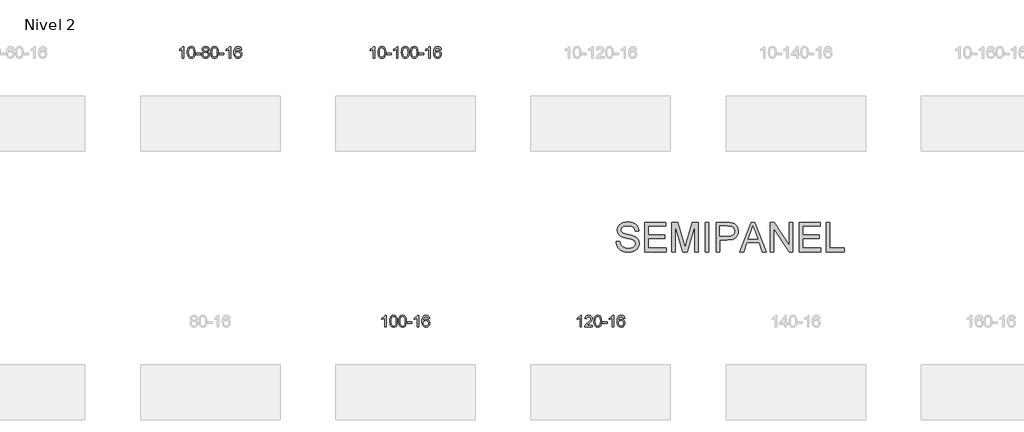
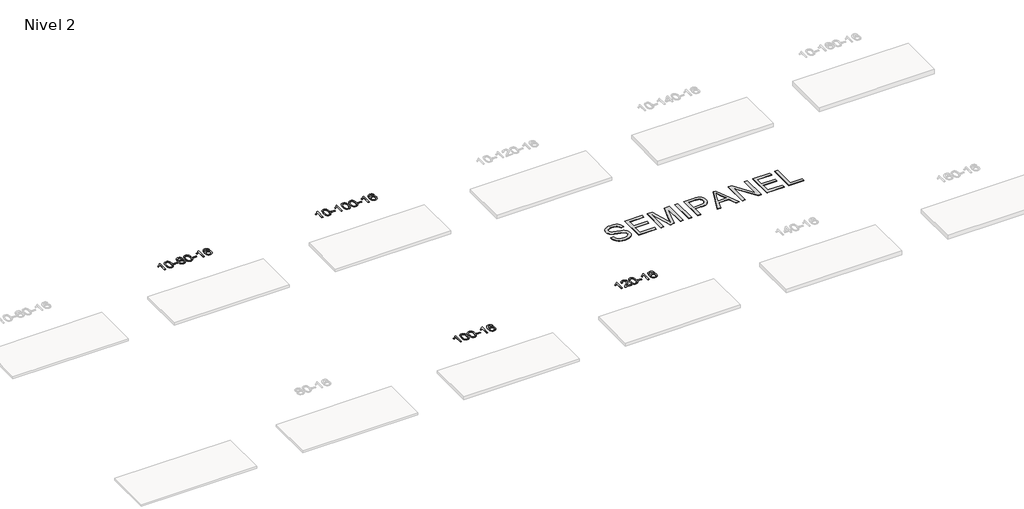
# One storey, part 30 of 51: 5 proxies.
"""IFC4 building model written with IfcOpenShell, lengths in millimetres."""

from ifc_helpers import new_model, si_unit, frame, origin, place, context, project, spatial, polyline, outline, extrude, element, save

model = new_model("IFC4")

# Units and contexts
model_context = context("Model", 3, world=origin())
ifc_project = project(units=[si_unit("LENGTHUNIT", "METRE", prefix="MILLI")], contexts=[model_context])

# Site, building, storey
site = spatial("IfcSite", under=ifc_project)
building = spatial("IfcBuilding", under=site)
storey = spatial("IfcBuildingStorey", under=building, Name="Nivel 2", Elevation=3000.0)

# Proxies
placement = place(None, origin())
element("IfcBuildingElementProxy", 1, Name="Texto de modelo 1", ObjectType="Texto de modelo 1", at=placement, inside=storey, context=model_context, shape_type="SweptSolid", body=[
    extrude(outline(polyline([(11539.5560047, -86347.0667526), (11489.3278496, -86347.0667526), (11489.3278496, -86033.9255983), (11468.3585759, -86050.8849583), (11441.7484449, -86067.8197928), (11388.8715394, -86093.179125), (11388.8715394, -86045.6978222), (11428.320752, -86024.2380391), (11462.4969894, -85998.7070287), (11489.4382142, -85971.5573374), (11507.1823891, -85945.241512), (11539.5560047, -85945.241512), (11539.5560047, -86347.0667526)])), frame((0.0, 0.0, 3000.0), z_axis=(0.0, 0.0, 1.0), x_axis=(1.0, 0.0, 0.0)), (0.0, 0.0, 1.0), 10.0),
    extrude(outline(polyline([(11658.847873, -86149.3914939), (11662.5389556, -86085.0734584), (11673.6122037, -86033.7784455), (11691.9572525, -85994.7216404), (11703.8153155, -85979.4882601), (11717.4637375, -85967.118228), (11732.9485038, -85957.5471648), (11750.3155997, -85950.710691), (11790.69678, -85945.241512), (11821.6479186, -85948.4788736), (11849.3616955, -85958.1909583), (11872.5382612, -85973.9976213), (11889.8777659, -85995.518718), (11902.974365, -86022.5703074), (11913.4222136, -86054.9684485), (11920.2648187, -86096.1099183), (11922.5456871, -86149.3914939), (11918.8913926, -86213.3416474), (11907.9285092, -86264.5140329), (11889.6938249, -86303.6076263), (11877.8633531, -86318.8869918), (11864.2241281, -86331.3214032), (11848.7209677, -86340.9568458), (11831.2986896, -86347.8393048), (11790.69678, -86353.345272), (11763.032054, -86350.9540391), (11738.5065876, -86343.7803401), (11717.120381, -86331.8241753), (11698.873434, -86315.0855445), (11681.3622511, -86284.8272504), (11668.8542632, -86247.1254773), (11661.3494705, -86201.9802251), (11658.847873, -86149.3914939)]), holes=[polyline([(11709.076028, -86149.293392), (11710.547556, -86192.9579192), (11714.96214, -86228.3021819), (11722.3197799, -86255.3261801), (11732.6204757, -86274.0299139), (11745.0794126, -86286.7555652), (11758.9117756, -86295.8453162), (11774.1175648, -86301.2991668), (11790.69678, -86303.1171169), (11807.2759953, -86301.2930354), (11822.4817844, -86295.8207907), (11836.3141474, -86286.7003829), (11848.7730843, -86273.931812), (11859.0737802, -86255.1974214), (11866.4314201, -86228.1795545), (11870.846004, -86192.8782114), (11872.317532, -86149.293392), (11870.895055, -86106.7846275), (11866.6276238, -86072.0626985), (11859.5152386, -86045.1276051), (11849.5578993, -86025.9793472), (11837.3074288, -86012.6313622), (11823.3156503, -86003.0970871), (11807.5825636, -85997.3765221), (11790.1081688, -85995.4696671), (11773.6147927, -85997.1496616), (11758.666521, -86002.1896449), (11745.2633536, -86010.5896171), (11733.4052906, -86022.3495782), (11722.7612383, -86043.1962246), (11715.1583437, -86071.3024091), (11710.5966069, -86106.6681315), (11709.076028, -86149.293392)])]), frame((0.0, 0.0, 3000.0), z_axis=(0.0, 0.0, 1.0), x_axis=(1.0, 0.0, 0.0)), (0.0, 0.0, 1.0), 10.0),
    extrude(outline(polyline([(11953.938284, -86227.7748843), (11953.938284, -86177.5467293), (12110.9012686, -86177.5467293), (12110.9012686, -86227.7748843), (11953.938284, -86227.7748843)])), frame((0.0, 0.0, 3000.0), z_axis=(0.0, 0.0, 1.0), x_axis=(1.0, 0.0, 0.0)), (0.0, 0.0, 1.0), 10.0),
    extrude(outline(polyline([(12228.0348959, -86125.7489443), (12201.142722, -86112.5051925), (12182.2703757, -86094.5525511), (12171.1235512, -86072.2589022), (12167.4079431, -86045.9921278), (12169.4312941, -86025.507232), (12175.501347, -86006.7268562), (12185.6181019, -85989.6510002), (12199.7815587, -85974.2796642), (12217.3111357, -85961.5754726), (12237.5262514, -85952.5010501), (12260.4269056, -85947.0563965), (12286.0130983, -85945.241512), (12311.7219184, -85947.0993161), (12334.7942509, -85952.6727283), (12355.2300957, -85961.9617487), (12373.0294529, -85974.9663772), (12387.4504271, -85990.6381502), (12397.751123, -86007.928604), (12403.9315405, -86026.8377386), (12405.9916797, -86047.3655539), (12402.3251225, -86072.7861998), (12391.3254508, -86094.6997039), (12372.8700374, -86112.5419807), (12346.8362549, -86125.7489443), (12377.7506052, -86141.6782347), (12400.2527206, -86165.1368433), (12413.974719, -86194.9965986), (12418.5487185, -86230.1293291), (12416.2801128, -86255.182093), (12409.4742959, -86278.1501922), (12398.1312677, -86299.0336268), (12382.2510283, -86317.8323968), (12362.6674434, -86333.3692797), (12340.214379, -86344.4670532), (12314.891835, -86351.1257173), (12286.6998114, -86353.345272), (12258.5077878, -86351.1165203), (12233.1852438, -86344.430265), (12210.7321794, -86333.2865062), (12191.1485945, -86317.685244), (12175.2683551, -86298.7546496), (12163.9253269, -86277.6228947), (12157.11951, -86254.2899791), (12154.8509043, -86228.755903), (12159.6088448, -86192.2620091), (12173.8826662, -86162.2428383), (12196.9366046, -86139.7284602), (12228.0348959, -86125.7489443)]), holes=[polyline([(12217.6360982, -86047.4636558), (12222.0874703, -86069.3894227), (12235.4415867, -86086.9006056), (12257.30604, -86098.3785239), (12287.2884226, -86102.2044966), (12316.5718294, -86098.4030494), (12338.1051889, -86086.9987075), (12351.3489407, -86070.0761357), (12355.7635246, -86049.7199987), (12351.2017879, -86028.5913094), (12337.5165777, -86011.1169146), (12315.6889126, -85999.381479), (12286.6998114, -85995.4696671), (12257.5267692, -85999.2956399), (12235.7358923, -86010.7735581), (12222.1610467, -86027.598028), (12217.6360982, -86047.4636558)]), polyline([(12205.0790594, -86226.9900694), (12207.1759868, -86246.2057723), (12213.4667689, -86264.8083385), (12225.0795772, -86281.0319345), (12243.1425832, -86293.1107267), (12264.7740445, -86300.6155194), (12287.0922189, -86303.1171169), (12321.2807189, -86297.8564044), (12335.1743956, -86291.2805138), (12346.9343567, -86282.0742668), (12362.9740117, -86258.1741999), (12368.3205634, -86228.5596993), (12362.8023335, -86198.4424266), (12346.2476437, -86174.0150621), (12334.1688515, -86164.5727576), (12320.0053947, -86157.8282543), (12285.4244871, -86152.4326517), (12251.7142337, -86157.7546779), (12237.9769068, -86164.4072107), (12226.3181133, -86173.7207565), (12210.3888229, -86197.6821371), (12205.0790594, -86226.9900694)])]), frame((0.0, 0.0, 3000.0), z_axis=(0.0, 0.0, 1.0), x_axis=(1.0, 0.0, 0.0)), (0.0, 0.0, 1.0), 10.0),
    extrude(outline(polyline([(12462.4983542, -86149.3914939), (12466.1894368, -86085.0734584), (12477.2626849, -86033.7784455), (12495.6077337, -85994.7216404), (12507.4657967, -85979.4882601), (12521.1142187, -85967.118228), (12536.598985, -85957.5471648), (12553.9660809, -85950.710691), (12594.3472612, -85945.241512), (12625.2983998, -85948.4788736), (12653.0121767, -85958.1909583), (12676.1887424, -85973.9976213), (12693.5282471, -85995.518718), (12706.6248462, -86022.5703074), (12717.0726948, -86054.9684485), (12723.9152999, -86096.1099183), (12726.1961683, -86149.3914939), (12722.5418738, -86213.3416474), (12711.5789904, -86264.5140329), (12693.3443061, -86303.6076263), (12681.5138343, -86318.8869918), (12667.8746093, -86331.3214032), (12652.3714489, -86340.9568458), (12634.9491708, -86347.8393048), (12594.3472612, -86353.345272), (12566.6825352, -86350.9540391), (12542.1570688, -86343.7803401), (12520.7708622, -86331.8241753), (12502.5239152, -86315.0855445), (12485.0127323, -86284.8272504), (12472.5047444, -86247.1254773), (12464.9999517, -86201.9802251), (12462.4983542, -86149.3914939)]), holes=[polyline([(12512.7265092, -86149.293392), (12514.1980372, -86192.9579192), (12518.6126212, -86228.3021819), (12525.9702611, -86255.3261801), (12536.2709569, -86274.0299139), (12548.7298938, -86286.7555652), (12562.5622568, -86295.8453162), (12577.768046, -86301.2991668), (12594.3472612, -86303.1171169), (12610.9264765, -86301.2930354), (12626.1322656, -86295.8207907), (12639.9646286, -86286.7003829), (12652.4235655, -86273.931812), (12662.7242614, -86255.1974214), (12670.0819013, -86228.1795545), (12674.4964852, -86192.8782114), (12675.9680132, -86149.293392), (12674.5455362, -86106.7846275), (12670.278105, -86072.0626985), (12663.1657198, -86045.1276051), (12653.2083805, -86025.9793472), (12640.95791, -86012.6313622), (12626.9661315, -86003.0970871), (12611.2330448, -85997.3765221), (12593.75865, -85995.4696671), (12577.2652739, -85997.1496616), (12562.3170022, -86002.1896449), (12548.9138348, -86010.5896171), (12537.0557718, -86022.3495782), (12526.4117194, -86043.1962246), (12518.8088249, -86071.3024091), (12514.2470881, -86106.6681315), (12512.7265092, -86149.293392)])]), frame((0.0, 0.0, 3000.0), z_axis=(0.0, 0.0, 1.0), x_axis=(1.0, 0.0, 0.0)), (0.0, 0.0, 1.0), 10.0),
    extrude(outline(polyline([(12757.5887652, -86227.7748843), (12757.5887652, -86177.5467293), (12914.5517498, -86177.5467293), (12914.5517498, -86227.7748843), (12757.5887652, -86227.7748843)])), frame((0.0, 0.0, 3000.0), z_axis=(0.0, 0.0, 1.0), x_axis=(1.0, 0.0, 0.0)), (0.0, 0.0, 1.0), 10.0),
    extrude(outline(polyline([(13146.856967, -86347.0667526), (13096.628812, -86347.0667526), (13096.628812, -86033.9255983), (13075.6595382, -86050.8849583), (13049.0494073, -86067.8197928), (12996.1725018, -86093.179125), (12996.1725018, -86045.6978222), (13035.6217144, -86024.2380391), (13069.7979518, -85998.7070287), (13096.7391766, -85971.5573374), (13114.4833515, -85945.241512), (13146.856967, -85945.241512), (13146.856967, -86347.0667526)])), frame((0.0, 0.0, 3000.0), z_axis=(0.0, 0.0, 1.0), x_axis=(1.0, 0.0, 0.0)), (0.0, 0.0, 1.0), 10.0),
    extrude(outline(polyline([(13523.5681301, -86051.9763416), (13473.339975, -86058.254861), (13465.2465711, -86033.3615126), (13454.3082132, -86016.3653644), (13431.5240549, -86000.6935914), (13403.9819562, -85995.4696671), (13380.6337123, -85998.5108249), (13358.6588944, -86007.6342984), (13339.7865481, -86026.8500013), (13324.3722925, -86053.3007168), (13313.961232, -86090.7143157), (13310.098471, -86142.8186689), (13330.2461416, -86119.3110094), (13354.3914633, -86102.7440569), (13381.1855352, -86092.9216076), (13409.2794569, -86089.6474579), (13433.4125158, -86091.8854067), (13455.6816393, -86098.5992531), (13476.0868273, -86109.7889971), (13494.6280798, -86125.4546387), (13510.0362041, -86144.6642103), (13521.0420071, -86166.4857439), (13527.6454889, -86190.9192398), (13529.8466495, -86217.9646978), (13525.7018457, -86253.9312942), (13513.2674342, -86287.2736657), (13493.5734848, -86315.5515284), (13467.6500668, -86336.3245984), (13436.6744028, -86349.0901036), (13401.8237152, -86353.345272), (13371.8811864, -86350.5248434), (13344.8387941, -86342.0635575), (13320.6965382, -86327.9614144), (13299.4544186, -86308.2184139), (13282.1363737, -86282.0006904), (13269.7663416, -86248.4743779), (13262.3443224, -86207.6394765), (13259.870316, -86159.495986), (13262.6171682, -86105.521566), (13270.8577249, -86059.4566088), (13284.591986, -86021.3011145), (13303.8199517, -85991.0550832), (13324.6604667, -85971.0116458), (13348.8241824, -85956.6949048), (13376.3110988, -85948.1048602), (13407.1212159, -85945.241512), (13430.254862, -85947.013477), (13451.1934789, -85952.3293718), (13469.9370666, -85961.1891965), (13486.485625, -85973.5929511), (13500.3915644, -85989.1237027), (13511.2072951, -86007.3645183), (13518.932817, -86028.3153979), (13523.5681301, -86051.9763416)]), holes=[polyline([(13310.098471, -86217.1798829), (13313.0047388, -86239.4367436), (13321.7235421, -86260.6880602), (13335.2615995, -86278.9595326), (13352.6256297, -86292.2768608), (13373.5826407, -86300.4070529), (13397.8996406, -86303.1171169), (13431.0458083, -86297.5007852), (13444.9609448, -86290.4803704), (13457.1041163, -86280.6517898), (13466.9541567, -86268.4135821), (13473.9898999, -86254.1642861), (13479.6184944, -86219.6324295), (13474.0634763, -86186.4862617), (13467.1197036, -86172.8654309), (13457.3984219, -86161.2127687), (13445.2184622, -86151.877763), (13430.8986555, -86145.2099019), (13395.8395014, -86139.875613), (13362.7423846, -86145.2099019), (13335.0653958, -86161.2127687), (13324.1423662, -86172.7121467), (13316.3402022, -86185.8731251), (13311.6589038, -86200.6957038), (13310.098471, -86217.1798829)])]), frame((0.0, 0.0, 3000.0), z_axis=(0.0, 0.0, 1.0), x_axis=(1.0, 0.0, 0.0)), (0.0, 0.0, 1.0), 10.0),
])
element("IfcBuildingElementProxy", 2, Name="Texto de modelo 1", ObjectType="Texto de modelo 1", at=placement, inside=storey, context=model_context, shape_type="SweptSolid", body=[
    extrude(outline(polyline([(18100.6728146, -86347.0667526), (18050.4446595, -86347.0667526), (18050.4446595, -86033.9255983), (18029.4753858, -86050.8849583), (18002.8652548, -86067.8197928), (17949.9883493, -86093.179125), (17949.9883493, -86045.6978222), (17989.437562, -86024.2380391), (18023.6137993, -85998.7070287), (18050.5550241, -85971.5573374), (18068.299199, -85945.241512), (18100.6728146, -85945.241512), (18100.6728146, -86347.0667526)])), frame((0.0, 0.0, 3000.0), z_axis=(0.0, 0.0, 1.0), x_axis=(1.0, 0.0, 0.0)), (0.0, 0.0, 1.0), 10.0),
    extrude(outline(polyline([(18219.9646829, -86149.3914939), (18223.6557656, -86085.0734584), (18234.7290136, -86033.7784455), (18253.0740624, -85994.7216404), (18264.9321254, -85979.4882601), (18278.5805474, -85967.118228), (18294.0653137, -85957.5471648), (18311.4324096, -85950.710691), (18351.8135899, -85945.241512), (18382.7647285, -85948.4788736), (18410.4785054, -85958.1909583), (18433.6550711, -85973.9976213), (18450.9945758, -85995.518718), (18464.0911749, -86022.5703074), (18474.5390235, -86054.9684485), (18481.3816286, -86096.1099183), (18483.662497, -86149.3914939), (18480.0082025, -86213.3416474), (18469.0453191, -86264.5140329), (18450.8106348, -86303.6076263), (18438.980163, -86318.8869918), (18425.340938, -86331.3214032), (18409.8377776, -86340.9568458), (18392.4154995, -86347.8393048), (18351.8135899, -86353.345272), (18324.1488639, -86350.9540391), (18299.6233976, -86343.7803401), (18278.2371909, -86331.8241753), (18259.9902439, -86315.0855445), (18242.479061, -86284.8272504), (18229.9710731, -86247.1254773), (18222.4662804, -86201.9802251), (18219.9646829, -86149.3914939)]), holes=[polyline([(18270.1928379, -86149.293392), (18271.6643659, -86192.9579192), (18276.0789499, -86228.3021819), (18283.4365898, -86255.3261801), (18293.7372856, -86274.0299139), (18306.1962225, -86286.7555652), (18320.0285856, -86295.8453162), (18335.2343747, -86301.2991668), (18351.8135899, -86303.1171169), (18368.3928052, -86301.2930354), (18383.5985943, -86295.8207907), (18397.4309573, -86286.7003829), (18409.8898942, -86273.931812), (18420.1905901, -86255.1974214), (18427.54823, -86228.1795545), (18431.962814, -86192.8782114), (18433.4343419, -86149.293392), (18432.0118649, -86106.7846275), (18427.7444337, -86072.0626985), (18420.6320485, -86045.1276051), (18410.6747092, -86025.9793472), (18398.4242387, -86012.6313622), (18384.4324602, -86003.0970871), (18368.6993735, -85997.3765221), (18351.2249787, -85995.4696671), (18334.7316026, -85997.1496616), (18319.7833309, -86002.1896449), (18306.3801635, -86010.5896171), (18294.5221006, -86022.3495782), (18283.8780482, -86043.1962246), (18276.2751536, -86071.3024091), (18271.7134169, -86106.6681315), (18270.1928379, -86149.293392)])]), frame((0.0, 0.0, 3000.0), z_axis=(0.0, 0.0, 1.0), x_axis=(1.0, 0.0, 0.0)), (0.0, 0.0, 1.0), 10.0),
    extrude(outline(polyline([(18515.0550939, -86227.7748843), (18515.0550939, -86177.5467293), (18672.0180785, -86177.5467293), (18672.0180785, -86227.7748843), (18515.0550939, -86227.7748843)])), frame((0.0, 0.0, 3000.0), z_axis=(0.0, 0.0, 1.0), x_axis=(1.0, 0.0, 0.0)), (0.0, 0.0, 1.0), 10.0),
    extrude(outline(polyline([(18904.3232958, -86347.0667526), (18854.0951407, -86347.0667526), (18854.0951407, -86033.9255983), (18833.125867, -86050.8849583), (18806.515736, -86067.8197928), (18753.6388305, -86093.179125), (18753.6388305, -86045.6978222), (18793.0880432, -86024.2380391), (18827.2642805, -85998.7070287), (18854.2055053, -85971.5573374), (18871.9496802, -85945.241512), (18904.3232958, -85945.241512), (18904.3232958, -86347.0667526)])), frame((0.0, 0.0, 3000.0), z_axis=(0.0, 0.0, 1.0), x_axis=(1.0, 0.0, 0.0)), (0.0, 0.0, 1.0), 10.0),
    extrude(outline(polyline([(19023.6151641, -86149.3914939), (19027.3062467, -86085.0734584), (19038.3794948, -86033.7784455), (19056.7245436, -85994.7216404), (19068.5826066, -85979.4882601), (19082.2310286, -85967.118228), (19097.7157949, -85957.5471648), (19115.0828908, -85950.710691), (19155.4640711, -85945.241512), (19186.4152097, -85948.4788736), (19214.1289866, -85958.1909583), (19237.3055523, -85973.9976213), (19254.645057, -85995.518718), (19267.7416561, -86022.5703074), (19278.1895047, -86054.9684485), (19285.0321098, -86096.1099183), (19287.3129782, -86149.3914939), (19283.6586837, -86213.3416474), (19272.6958003, -86264.5140329), (19254.461116, -86303.6076263), (19242.6306442, -86318.8869918), (19228.9914192, -86331.3214032), (19213.4882588, -86340.9568458), (19196.0659807, -86347.8393048), (19155.4640711, -86353.345272), (19127.7993451, -86350.9540391), (19103.2738788, -86343.7803401), (19081.8876721, -86331.8241753), (19063.6407251, -86315.0855445), (19046.1295422, -86284.8272504), (19033.6215543, -86247.1254773), (19026.1167616, -86201.9802251), (19023.6151641, -86149.3914939)]), holes=[polyline([(19073.8433191, -86149.293392), (19075.3148471, -86192.9579192), (19079.7294311, -86228.3021819), (19087.087071, -86255.3261801), (19097.3877668, -86274.0299139), (19109.8467037, -86286.7555652), (19123.6790668, -86295.8453162), (19138.8848559, -86301.2991668), (19155.4640711, -86303.1171169), (19172.0432864, -86301.2930354), (19187.2490755, -86295.8207907), (19201.0814385, -86286.7003829), (19213.5403754, -86273.931812), (19223.8410713, -86255.1974214), (19231.1987112, -86228.1795545), (19235.6132951, -86192.8782114), (19237.0848231, -86149.293392), (19235.6623461, -86106.7846275), (19231.3949149, -86072.0626985), (19224.2825297, -86045.1276051), (19214.3251904, -86025.9793472), (19202.0747199, -86012.6313622), (19188.0829414, -86003.0970871), (19172.3498547, -85997.3765221), (19154.8754599, -85995.4696671), (19138.3820838, -85997.1496616), (19123.4338121, -86002.1896449), (19110.0306447, -86010.5896171), (19098.1725818, -86022.3495782), (19087.5285294, -86043.1962246), (19079.9256348, -86071.3024091), (19075.3638981, -86106.6681315), (19073.8433191, -86149.293392)])]), frame((0.0, 0.0, 3000.0), z_axis=(0.0, 0.0, 1.0), x_axis=(1.0, 0.0, 0.0)), (0.0, 0.0, 1.0), 10.0),
    extrude(outline(polyline([(19331.2626139, -86149.3914939), (19334.9536966, -86085.0734584), (19346.0269446, -86033.7784455), (19364.3719935, -85994.7216404), (19376.2300564, -85979.4882601), (19389.8784785, -85967.118228), (19405.3632448, -85957.5471648), (19422.7303406, -85950.710691), (19463.111521, -85945.241512), (19494.0626595, -85948.4788736), (19521.7764365, -85958.1909583), (19544.9530022, -85973.9976213), (19562.2925069, -85995.518718), (19575.3891059, -86022.5703074), (19585.8369546, -86054.9684485), (19592.6795597, -86096.1099183), (19594.960428, -86149.3914939), (19591.3061336, -86213.3416474), (19580.3432501, -86264.5140329), (19562.1085659, -86303.6076263), (19550.278094, -86318.8869918), (19536.6388691, -86331.3214032), (19521.1357087, -86340.9568458), (19503.7134305, -86347.8393048), (19463.111521, -86353.345272), (19435.4467949, -86350.9540391), (19410.9213286, -86343.7803401), (19389.5351219, -86331.8241753), (19371.288175, -86315.0855445), (19353.776992, -86284.8272504), (19341.2690042, -86247.1254773), (19333.7642115, -86201.9802251), (19331.2626139, -86149.3914939)]), holes=[polyline([(19381.490769, -86149.293392), (19382.962297, -86192.9579192), (19387.3768809, -86228.3021819), (19394.7345208, -86255.3261801), (19405.0352167, -86274.0299139), (19417.4941536, -86286.7555652), (19431.3265166, -86295.8453162), (19446.5323057, -86301.2991668), (19463.111521, -86303.1171169), (19479.6907362, -86301.2930354), (19494.8965253, -86295.8207907), (19508.7288884, -86286.7003829), (19521.1878253, -86273.931812), (19531.4885211, -86255.1974214), (19538.846161, -86228.1795545), (19543.260745, -86192.8782114), (19544.732273, -86149.293392), (19543.3097959, -86106.7846275), (19539.0423648, -86072.0626985), (19531.9299795, -86045.1276051), (19521.9726402, -86025.9793472), (19509.7221698, -86012.6313622), (19495.7303912, -86003.0970871), (19479.9973045, -85997.3765221), (19462.5229098, -85995.4696671), (19446.0295337, -85997.1496616), (19431.0812619, -86002.1896449), (19417.6780946, -86010.5896171), (19405.8200316, -86022.3495782), (19395.1759792, -86043.1962246), (19387.5730846, -86071.3024091), (19383.0113479, -86106.6681315), (19381.490769, -86149.293392)])]), frame((0.0, 0.0, 3000.0), z_axis=(0.0, 0.0, 1.0), x_axis=(1.0, 0.0, 0.0)), (0.0, 0.0, 1.0), 10.0),
    extrude(outline(polyline([(19626.353025, -86227.7748843), (19626.353025, -86177.5467293), (19783.3160096, -86177.5467293), (19783.3160096, -86227.7748843), (19626.353025, -86227.7748843)])), frame((0.0, 0.0, 3000.0), z_axis=(0.0, 0.0, 1.0), x_axis=(1.0, 0.0, 0.0)), (0.0, 0.0, 1.0), 10.0),
    extrude(outline(polyline([(20015.6212268, -86347.0667526), (19965.3930717, -86347.0667526), (19965.3930717, -86033.9255983), (19944.423798, -86050.8849583), (19917.813667, -86067.8197928), (19864.9367616, -86093.179125), (19864.9367616, -86045.6978222), (19904.3859742, -86024.2380391), (19938.5622115, -85998.7070287), (19965.5034363, -85971.5573374), (19983.2476112, -85945.241512), (20015.6212268, -85945.241512), (20015.6212268, -86347.0667526)])), frame((0.0, 0.0, 3000.0), z_axis=(0.0, 0.0, 1.0), x_axis=(1.0, 0.0, 0.0)), (0.0, 0.0, 1.0), 10.0),
    extrude(outline(polyline([(20392.3323899, -86051.9763416), (20342.1042348, -86058.254861), (20334.0108309, -86033.3615126), (20323.0724729, -86016.3653644), (20300.2883147, -86000.6935914), (20272.746216, -85995.4696671), (20249.397972, -85998.5108249), (20227.4231541, -86007.6342984), (20208.5508078, -86026.8500013), (20193.1365522, -86053.3007168), (20182.7254917, -86090.7143157), (20178.8627308, -86142.8186689), (20199.0104014, -86119.3110094), (20223.155723, -86102.7440569), (20249.949795, -86092.9216076), (20278.0437167, -86089.6474579), (20302.1767756, -86091.8854067), (20324.445899, -86098.5992531), (20344.851087, -86109.7889971), (20363.3923396, -86125.4546387), (20378.8004638, -86144.6642103), (20389.8062668, -86166.4857439), (20396.4097486, -86190.9192398), (20398.6109092, -86217.9646978), (20394.4661054, -86253.9312942), (20382.031694, -86287.2736657), (20362.3377445, -86315.5515284), (20336.4143266, -86336.3245984), (20305.4386626, -86349.0901036), (20270.5879749, -86353.345272), (20240.6454462, -86350.5248434), (20213.6030539, -86342.0635575), (20189.4607979, -86327.9614144), (20168.2186784, -86308.2184139), (20150.9006335, -86282.0006904), (20138.5306014, -86248.4743779), (20131.1085821, -86207.6394765), (20128.6345757, -86159.495986), (20131.3814279, -86105.521566), (20139.6219846, -86059.4566088), (20153.3562458, -86021.3011145), (20172.5842114, -85991.0550832), (20193.4247264, -85971.0116458), (20217.5884421, -85956.6949048), (20245.0753585, -85948.1048602), (20275.8854756, -85945.241512), (20299.0191218, -85947.013477), (20319.9577387, -85952.3293718), (20338.7013263, -85961.1891965), (20355.2498847, -85973.5929511), (20369.1558242, -85989.1237027), (20379.9715548, -86007.3645183), (20387.6970767, -86028.3153979), (20392.3323899, -86051.9763416)]), holes=[polyline([(20178.8627308, -86217.1798829), (20181.7689985, -86239.4367436), (20190.4878018, -86260.6880602), (20204.0258593, -86278.9595326), (20221.3898894, -86292.2768608), (20242.3469004, -86300.4070529), (20266.6639003, -86303.1171169), (20299.8100681, -86297.5007852), (20313.7252045, -86290.4803704), (20325.8683761, -86280.6517898), (20335.7184165, -86268.4135821), (20342.7541596, -86254.1642861), (20348.3827542, -86219.6324295), (20342.827736, -86186.4862617), (20335.8839634, -86172.8654309), (20326.1626817, -86161.2127687), (20313.9827219, -86151.877763), (20299.6629153, -86145.2099019), (20264.6037611, -86139.875613), (20231.5066443, -86145.2099019), (20203.8296555, -86161.2127687), (20192.9066259, -86172.7121467), (20185.104462, -86185.8731251), (20180.4231636, -86200.6957038), (20178.8627308, -86217.1798829)])]), frame((0.0, 0.0, 3000.0), z_axis=(0.0, 0.0, 1.0), x_axis=(1.0, 0.0, 0.0)), (0.0, 0.0, 1.0), 10.0),
])
element("IfcBuildingElementProxy", 3, Name="Texto de modelo 1", ObjectType="Texto de modelo 1", at=placement, inside=storey, context=model_context, shape_type="SweptSolid", body=[
    extrude(outline(polyline([(18502.4980552, -95605.4474555), (18452.2699001, -95605.4474555), (18452.2699001, -95292.3063012), (18431.3006264, -95309.2656612), (18404.6904954, -95326.2004957), (18351.8135899, -95351.5598279), (18351.8135899, -95304.0785251), (18391.2628026, -95282.618742), (18425.4390399, -95257.0877316), (18452.3802647, -95229.9380403), (18470.1244396, -95203.6222149), (18502.4980552, -95203.6222149), (18502.4980552, -95605.4474555)])), frame((0.0, 0.0, 3000.0), z_axis=(0.0, 0.0, 1.0), x_axis=(1.0, 0.0, 0.0)), (0.0, 0.0, 1.0), 10.0),
    extrude(outline(polyline([(18621.7899235, -95407.7721968), (18625.4810061, -95343.4541613), (18636.5542542, -95292.1591484), (18654.899303, -95253.1023433), (18666.757366, -95237.868963), (18680.405788, -95225.4989309), (18695.8905543, -95215.9278677), (18713.2576502, -95209.0913939), (18753.6388305, -95203.6222149), (18784.5899691, -95206.8595765), (18812.303746, -95216.5716612), (18835.4803117, -95232.3783242), (18852.8198164, -95253.8994209), (18865.9164155, -95280.9510103), (18876.3642641, -95313.3491514), (18883.2068692, -95354.4906212), (18885.4877376, -95407.7721968), (18881.8334431, -95471.7223503), (18870.8705597, -95522.8947358), (18852.6358754, -95561.9883292), (18840.8054036, -95577.2676947), (18827.1661786, -95589.7021061), (18811.6630182, -95599.3375487), (18794.2407401, -95606.2200077), (18753.6388305, -95611.7259749), (18725.9741045, -95609.334742), (18701.4486382, -95602.161043), (18680.0624315, -95590.2048782), (18661.8154845, -95573.4662474), (18644.3043016, -95543.2079533), (18631.7963137, -95505.5061802), (18624.291521, -95460.360928), (18621.7899235, -95407.7721968)]), holes=[polyline([(18672.0180785, -95407.6740949), (18673.4896065, -95451.3386221), (18677.9041905, -95486.6828848), (18685.2618304, -95513.706883), (18695.5625262, -95532.4106168), (18708.0214631, -95545.1362681), (18721.8538262, -95554.2260191), (18737.0596153, -95559.6798697), (18753.6388305, -95561.4978198), (18770.2180458, -95559.6737383), (18785.4238349, -95554.2014936), (18799.2561979, -95545.0810858), (18811.7151348, -95532.3125149), (18822.0158307, -95513.5781243), (18829.3734706, -95486.5602574), (18833.7880546, -95451.2589143), (18835.2595825, -95407.6740949), (18833.8371055, -95365.1653304), (18829.5696743, -95330.4434014), (18822.4572891, -95303.508308), (18812.4999498, -95284.3600501), (18800.2494793, -95271.0120651), (18786.2577008, -95261.47779), (18770.5246141, -95255.757225), (18753.0502193, -95253.85037), (18736.5568432, -95255.5303645), (18721.6085715, -95260.5703478), (18708.2054041, -95268.97032), (18696.3473412, -95280.7302811), (18685.7032888, -95301.5769275), (18678.1003942, -95329.683112), (18673.5386575, -95365.0488344), (18672.0180785, -95407.6740949)])]), frame((0.0, 0.0, 3000.0), z_axis=(0.0, 0.0, 1.0), x_axis=(1.0, 0.0, 0.0)), (0.0, 0.0, 1.0), 10.0),
    extrude(outline(polyline([(18929.4373733, -95407.7721968), (18933.128456, -95343.4541613), (18944.201704, -95292.1591484), (18962.5467529, -95253.1023433), (18974.4048158, -95237.868963), (18988.0532379, -95225.4989309), (19003.5380042, -95215.9278677), (19020.9051, -95209.0913939), (19061.2862804, -95203.6222149), (19092.2374189, -95206.8595765), (19119.9511959, -95216.5716612), (19143.1277616, -95232.3783242), (19160.4672663, -95253.8994209), (19173.5638653, -95280.9510103), (19184.011714, -95313.3491514), (19190.8543191, -95354.4906212), (19193.1351874, -95407.7721968), (19189.480893, -95471.7223503), (19178.5180095, -95522.8947358), (19160.2833253, -95561.9883292), (19148.4528534, -95577.2676947), (19134.8136285, -95589.7021061), (19119.3104681, -95599.3375487), (19101.8881899, -95606.2200077), (19061.2862804, -95611.7259749), (19033.6215543, -95609.334742), (19009.096088, -95602.161043), (18987.7098813, -95590.2048782), (18969.4629344, -95573.4662474), (18951.9517514, -95543.2079533), (18939.4437636, -95505.5061802), (18931.9389709, -95460.360928), (18929.4373733, -95407.7721968)]), holes=[polyline([(18979.6655284, -95407.6740949), (18981.1370564, -95451.3386221), (18985.5516403, -95486.6828848), (18992.9092802, -95513.706883), (19003.2099761, -95532.4106168), (19015.668913, -95545.1362681), (19029.501276, -95554.2260191), (19044.7070651, -95559.6798697), (19061.2862804, -95561.4978198), (19077.8654956, -95559.6737383), (19093.0712848, -95554.2014936), (19106.9036478, -95545.0810858), (19119.3625847, -95532.3125149), (19129.6632805, -95513.5781243), (19137.0209204, -95486.5602574), (19141.4355044, -95451.2589143), (19142.9070324, -95407.6740949), (19141.4845553, -95365.1653304), (19137.2171242, -95330.4434014), (19130.1047389, -95303.508308), (19120.1473996, -95284.3600501), (19107.8969292, -95271.0120651), (19093.9051506, -95261.47779), (19078.1720639, -95255.757225), (19060.6976692, -95253.85037), (19044.2042931, -95255.5303645), (19029.2560213, -95260.5703478), (19015.852854, -95268.97032), (19003.994791, -95280.7302811), (18993.3507386, -95301.5769275), (18985.747844, -95329.683112), (18981.1861073, -95365.0488344), (18979.6655284, -95407.6740949)])]), frame((0.0, 0.0, 3000.0), z_axis=(0.0, 0.0, 1.0), x_axis=(1.0, 0.0, 0.0)), (0.0, 0.0, 1.0), 10.0),
    extrude(outline(polyline([(19224.5277844, -95486.1555872), (19224.5277844, -95435.9274322), (19381.490769, -95435.9274322), (19381.490769, -95486.1555872), (19224.5277844, -95486.1555872)])), frame((0.0, 0.0, 3000.0), z_axis=(0.0, 0.0, 1.0), x_axis=(1.0, 0.0, 0.0)), (0.0, 0.0, 1.0), 10.0),
    extrude(outline(polyline([(19613.7959862, -95605.4474555), (19563.5678311, -95605.4474555), (19563.5678311, -95292.3063012), (19542.5985574, -95309.2656612), (19515.9884264, -95326.2004957), (19463.111521, -95351.5598279), (19463.111521, -95304.0785251), (19502.5607336, -95282.618742), (19536.7369709, -95257.0877316), (19563.6781957, -95229.9380403), (19581.4223706, -95203.6222149), (19613.7959862, -95203.6222149), (19613.7959862, -95605.4474555)])), frame((0.0, 0.0, 3000.0), z_axis=(0.0, 0.0, 1.0), x_axis=(1.0, 0.0, 0.0)), (0.0, 0.0, 1.0), 10.0),
    extrude(outline(polyline([(19990.5071493, -95310.3570445), (19940.2789942, -95316.6355639), (19932.1855903, -95291.7422155), (19921.2472323, -95274.7460673), (19898.4630741, -95259.0742943), (19870.9209754, -95253.85037), (19847.5727314, -95256.8915278), (19825.5979135, -95266.0150013), (19806.7255672, -95285.2307042), (19791.3113116, -95311.6814197), (19780.9002511, -95349.0950186), (19777.0374902, -95401.1993718), (19797.1851608, -95377.6917123), (19821.3304824, -95361.1247598), (19848.1245544, -95351.3023105), (19876.2184761, -95348.0281608), (19900.351535, -95350.2661096), (19922.6206584, -95356.979956), (19943.0258464, -95368.1697), (19961.567099, -95383.8353416), (19976.9752232, -95403.0449132), (19987.9810262, -95424.8664468), (19994.584508, -95449.2999427), (19996.7856686, -95476.3454007), (19992.6408648, -95512.3119971), (19980.2064534, -95545.6543686), (19960.5125039, -95573.9322313), (19934.589086, -95594.7053013), (19903.613422, -95607.4708065), (19868.7627343, -95611.7259749), (19838.8202056, -95608.9055463), (19811.7778133, -95600.4442604), (19787.6355573, -95586.3421173), (19766.3934378, -95566.5991168), (19749.0753929, -95540.3813933), (19736.7053608, -95506.8550808), (19729.2833415, -95466.0201794), (19726.8093351, -95417.8766889), (19729.5561873, -95363.9022689), (19737.796744, -95317.8373117), (19751.5310052, -95279.6818174), (19770.7589708, -95249.4357861), (19791.5994858, -95229.3923487), (19815.7632015, -95215.0756077), (19843.2501179, -95206.4855631), (19874.060235, -95203.6222149), (19897.1938812, -95205.3941799), (19918.1324981, -95210.7100747), (19936.8760857, -95219.5698994), (19953.4246441, -95231.973654), (19967.3305836, -95247.5044056), (19978.1463142, -95265.7452212), (19985.8718361, -95286.6961008), (19990.5071493, -95310.3570445)]), holes=[polyline([(19777.0374902, -95475.5605858), (19779.9437579, -95497.8174465), (19788.6625612, -95519.0687631), (19802.2006187, -95537.3402355), (19819.5646488, -95550.6575637), (19840.5216598, -95558.7877558), (19864.8386597, -95561.4978198), (19897.9848275, -95555.8814881), (19911.8999639, -95548.8610733), (19924.0431355, -95539.0324927), (19933.8931759, -95526.794285), (19940.928919, -95512.544989), (19946.5575136, -95478.0131324), (19941.0024954, -95444.8669646), (19934.0587228, -95431.2461338), (19924.3374411, -95419.5934716), (19912.1574813, -95410.2584659), (19897.8376747, -95403.5906048), (19862.7785205, -95398.2563159), (19829.6814037, -95403.5906048), (19802.0044149, -95419.5934716), (19791.0813854, -95431.0928496), (19783.2792214, -95444.253828), (19778.597923, -95459.0764067), (19777.0374902, -95475.5605858)])]), frame((0.0, 0.0, 3000.0), z_axis=(0.0, 0.0, 1.0), x_axis=(1.0, 0.0, 0.0)), (0.0, 0.0, 1.0), 10.0),
])
element("IfcBuildingElementProxy", 4, Name="Texto de modelo 1", ObjectType="Texto de modelo 1", at=placement, inside=storey, context=model_context, shape_type="SweptSolid", body=[
    extrude(outline(polyline([(25217.43859, -95605.4474555), (25167.2104349, -95605.4474555), (25167.2104349, -95292.3063012), (25146.2411612, -95309.2656612), (25119.6310302, -95326.2004957), (25066.7541248, -95351.5598279), (25066.7541248, -95304.0785251), (25106.2033374, -95282.618742), (25140.3795747, -95257.0877316), (25167.3207995, -95229.9380403), (25185.0649744, -95203.6222149), (25217.43859, -95203.6222149), (25217.43859, -95605.4474555)])), frame((0.0, 0.0, 3000.0), z_axis=(0.0, 0.0, 1.0), x_axis=(1.0, 0.0, 0.0)), (0.0, 0.0, 1.0), 10.0),
    extrude(outline(polyline([(25594.149753, -95555.2193005), (25594.149753, -95605.4474555), (25330.4519389, -95605.4474555), (25331.5555849, -95587.7645943), (25335.8475415, -95570.8174971), (25348.232902, -95543.7536449), (25366.3572216, -95517.4991332), (25392.5749452, -95490.0183482), (25429.2405173, -95459.2756761), (25483.441798, -95411.1321857), (25515.9625663, -95375.594785), (25532.2229505, -95346.7528365), (25537.6430786, -95318.695703), (25532.5295189, -95293.5448373), (25517.1888397, -95272.6368772), (25493.6076038, -95258.5469968), (25463.772374, -95253.85037), (25432.4410907, -95258.4366322), (25408.0995654, -95272.1954188), (25392.3910042, -95294.0476094), (25386.9586134, -95322.9140832), (25336.7304583, -95316.6355639), (25341.050006, -95290.7060146), (25348.9073523, -95268.050615), (25360.3024971, -95248.6693652), (25375.2354404, -95232.5622652), (25393.3628258, -95219.9009932), (25414.3412965, -95210.8572275), (25438.1708528, -95205.4309681), (25464.8514945, -95203.6222149), (25491.7712595, -95205.6333032), (25515.7295744, -95211.6665679), (25536.7264393, -95221.7220091), (25554.7618541, -95235.7996268), (25569.2472077, -95252.8570886), (25579.5938888, -95271.8520623), (25585.8018974, -95292.7845478), (25587.8712337, -95315.6545452), (25585.6394162, -95339.6772395), (25578.9439639, -95363.2830008), (25567.0613755, -95387.2934324), (25549.2681496, -95412.5301373), (25520.9044478, -95442.6596727), (25477.3104314, -95481.3485958), (25419.5284327, -95529.6637645), (25396.8669018, -95555.2193005), (25594.149753, -95555.2193005)])), frame((0.0, 0.0, 3000.0), z_axis=(0.0, 0.0, 1.0), x_axis=(1.0, 0.0, 0.0)), (0.0, 0.0, 1.0), 10.0),
    extrude(outline(polyline([(25644.3779081, -95407.7721968), (25648.0689908, -95343.4541613), (25659.1422389, -95292.1591484), (25677.4872877, -95253.1023433), (25689.3453507, -95237.868963), (25702.9937727, -95225.4989309), (25718.478539, -95215.9278677), (25735.8456349, -95209.0913939), (25776.2268152, -95203.6222149), (25807.1779537, -95206.8595765), (25834.8917307, -95216.5716612), (25858.0682964, -95232.3783242), (25875.4078011, -95253.8994209), (25888.5044001, -95280.9510103), (25898.9522488, -95313.3491514), (25905.7948539, -95354.4906212), (25908.0757223, -95407.7721968), (25904.4214278, -95471.7223503), (25893.4585443, -95522.8947358), (25875.2238601, -95561.9883292), (25863.3933883, -95577.2676947), (25849.7541633, -95589.7021061), (25834.2510029, -95599.3375487), (25816.8287247, -95606.2200077), (25776.2268152, -95611.7259749), (25748.5620892, -95609.334742), (25724.0366228, -95602.161043), (25702.6504162, -95590.2048782), (25684.4034692, -95573.4662474), (25666.8922862, -95543.2079533), (25654.3842984, -95505.5061802), (25646.8795057, -95460.360928), (25644.3779081, -95407.7721968)]), holes=[polyline([(25694.6060632, -95407.6740949), (25696.0775912, -95451.3386221), (25700.4921751, -95486.6828848), (25707.849815, -95513.706883), (25718.1505109, -95532.4106168), (25730.6094478, -95545.1362681), (25744.4418108, -95554.2260191), (25759.6475999, -95559.6798697), (25776.2268152, -95561.4978198), (25792.8060304, -95559.6737383), (25808.0118196, -95554.2014936), (25821.8441826, -95545.0810858), (25834.3031195, -95532.3125149), (25844.6038154, -95513.5781243), (25851.9614553, -95486.5602574), (25856.3760392, -95451.2589143), (25857.8475672, -95407.6740949), (25856.4250901, -95365.1653304), (25852.157659, -95330.4434014), (25845.0452738, -95303.508308), (25835.0879344, -95284.3600501), (25822.837464, -95271.0120651), (25808.8456854, -95261.47779), (25793.1125988, -95255.757225), (25775.638204, -95253.85037), (25759.1448279, -95255.5303645), (25744.1965561, -95260.5703478), (25730.7933888, -95268.97032), (25718.9353258, -95280.7302811), (25708.2912734, -95301.5769275), (25700.6883788, -95329.683112), (25696.1266421, -95365.0488344), (25694.6060632, -95407.6740949)])]), frame((0.0, 0.0, 3000.0), z_axis=(0.0, 0.0, 1.0), x_axis=(1.0, 0.0, 0.0)), (0.0, 0.0, 1.0), 10.0),
    extrude(outline(polyline([(25939.4683192, -95486.1555872), (25939.4683192, -95435.9274322), (26096.4313038, -95435.9274322), (26096.4313038, -95486.1555872), (25939.4683192, -95486.1555872)])), frame((0.0, 0.0, 3000.0), z_axis=(0.0, 0.0, 1.0), x_axis=(1.0, 0.0, 0.0)), (0.0, 0.0, 1.0), 10.0),
    extrude(outline(polyline([(26328.736521, -95605.4474555), (26278.5083659, -95605.4474555), (26278.5083659, -95292.3063012), (26257.5390922, -95309.2656612), (26230.9289612, -95326.2004957), (26178.0520558, -95351.5598279), (26178.0520558, -95304.0785251), (26217.5012684, -95282.618742), (26251.6775058, -95257.0877316), (26278.6187305, -95229.9380403), (26296.3629054, -95203.6222149), (26328.736521, -95203.6222149), (26328.736521, -95605.4474555)])), frame((0.0, 0.0, 3000.0), z_axis=(0.0, 0.0, 1.0), x_axis=(1.0, 0.0, 0.0)), (0.0, 0.0, 1.0), 10.0),
    extrude(outline(polyline([(26705.4476841, -95310.3570445), (26655.219529, -95316.6355639), (26647.1261251, -95291.7422155), (26636.1877671, -95274.7460673), (26613.4036089, -95259.0742943), (26585.8615102, -95253.85037), (26562.5132662, -95256.8915278), (26540.5384484, -95266.0150013), (26521.666102, -95285.2307042), (26506.2518464, -95311.6814197), (26495.840786, -95349.0950186), (26491.978025, -95401.1993718), (26512.1256956, -95377.6917123), (26536.2710172, -95361.1247598), (26563.0650892, -95351.3023105), (26591.1590109, -95348.0281608), (26615.2920698, -95350.2661096), (26637.5611932, -95356.979956), (26657.9663812, -95368.1697), (26676.5076338, -95383.8353416), (26691.915758, -95403.0449132), (26702.921561, -95424.8664468), (26709.5250429, -95449.2999427), (26711.7262035, -95476.3454007), (26707.5813996, -95512.3119971), (26695.1469882, -95545.6543686), (26675.4530387, -95573.9322313), (26649.5296208, -95594.7053013), (26618.5539568, -95607.4708065), (26583.7032691, -95611.7259749), (26553.7607404, -95608.9055463), (26526.7183481, -95600.4442604), (26502.5760922, -95586.3421173), (26481.3339726, -95566.5991168), (26464.0159277, -95540.3813933), (26451.6458956, -95506.8550808), (26444.2238764, -95466.0201794), (26441.7498699, -95417.8766889), (26444.4967222, -95363.9022689), (26452.7372789, -95317.8373117), (26466.47154, -95279.6818174), (26485.6995056, -95249.4357861), (26506.5400207, -95229.3923487), (26530.7037364, -95215.0756077), (26558.1906528, -95206.4855631), (26589.0007699, -95203.6222149), (26612.134416, -95205.3941799), (26633.0730329, -95210.7100747), (26651.8166205, -95219.5698994), (26668.365179, -95231.973654), (26682.2711184, -95247.5044056), (26693.086849, -95265.7452212), (26700.8123709, -95286.6961008), (26705.4476841, -95310.3570445)]), holes=[polyline([(26491.978025, -95475.5605858), (26494.8842928, -95497.8174465), (26503.6030961, -95519.0687631), (26517.1411535, -95537.3402355), (26534.5051837, -95550.6575637), (26555.4621946, -95558.7877558), (26579.7791945, -95561.4978198), (26612.9253623, -95555.8814881), (26626.8404988, -95548.8610733), (26638.9836703, -95539.0324927), (26648.8337107, -95526.794285), (26655.8694539, -95512.544989), (26661.4980484, -95478.0131324), (26655.9430303, -95444.8669646), (26648.9992576, -95431.2461338), (26639.2779759, -95419.5934716), (26627.0980162, -95410.2584659), (26612.7782095, -95403.5906048), (26577.7190554, -95398.2563159), (26544.6219385, -95403.5906048), (26516.9449497, -95419.5934716), (26506.0219202, -95431.0928496), (26498.2197562, -95444.253828), (26493.5384578, -95459.0764067), (26491.978025, -95475.5605858)])]), frame((0.0, 0.0, 3000.0), z_axis=(0.0, 0.0, 1.0), x_axis=(1.0, 0.0, 0.0)), (0.0, 0.0, 1.0), 10.0),
])
element("IfcBuildingElementProxy", 5, Name="Texto de modelo 2", ObjectType="Texto de modelo 2", at=placement, inside=storey, context=model_context, shape_type="SweptSolid", body=[
    extrude(outline(polyline([(26416.7531163, -92668.59571), (26542.3235039, -92668.59571), (26548.0716601, -92705.1463191), (26556.7322154, -92738.2786913), (26568.3051699, -92767.9928266), (26582.7905234, -92794.288725), (26600.9240401, -92817.695217), (26623.4414839, -92838.7411328), (26650.3428548, -92857.4264724), (26681.6281528, -92873.751236), (26716.1477467, -92887.002652), (26752.7520052, -92896.4679492), (26791.4409283, -92902.1471275), (26832.2145161, -92904.0401869), (26902.1734089, -92898.3073592), (26933.8879026, -92891.1413245), (26963.4257611, -92881.1088759), (26990.0588847, -92868.5702312), (27013.0591736, -92853.8856082), (27032.4266278, -92837.055007), (27048.1612473, -92818.0784274), (27060.3396742, -92797.7759398), (27069.0385505, -92776.9676144), (27074.2578763, -92755.6534513), (27075.9976516, -92733.8334505), (27070.78599, -92691.8029325), (27055.1510052, -92655.4745855), (27041.9992239, -92639.3567556), (27023.3905263, -92624.4805274), (26999.3249125, -92610.845901), (26969.8023823, -92598.4528763), (26903.4916527, -92578.7405327), (26786.9650307, -92550.5055896), (26666.9435298, -92518.7757675), (26623.1425798, -92503.485672), (26590.1481633, -92488.578787), (26556.6172523, -92468.5752035), (26527.638881, -92446.3336713), (26503.2130493, -92421.8541902), (26483.3397574, -92395.1367603), (26467.942363, -92366.457293), (26456.9442242, -92336.0917), (26450.3453409, -92304.0399812), (26448.1457132, -92270.3021366), (26450.8665071, -92232.9084646), (26459.0288889, -92196.7563944), (26472.6328585, -92161.8459259), (26491.6784159, -92128.1770591), (26515.9509634, -92097.1216873), (26545.2359031, -92070.0517039), (26579.5332349, -92046.9671087), (26618.8429589, -92027.8679017), (26661.8391671, -92012.8997031), (26707.1959514, -92002.2081326), (26754.9133119, -91995.7931903), (26804.9912485, -91993.6548762), (26859.6217248, -91995.892825), (26910.9412631, -92002.6066714), (26958.9498635, -92013.7964154), (27003.6475259, -92029.462057), (27044.2065159, -92049.4656405), (27079.7990989, -92073.6692101), (27110.425275, -92102.0727658), (27136.0850442, -92134.6763077), (27156.579137, -92170.5294738), (27171.708284, -92208.6819024), (27181.4724853, -92249.1335934), (27185.8717408, -92291.8845469), (27060.3013532, -92291.8845469), (27051.9013809, -92251.8160663), (27037.2474148, -92216.9592473), (27016.3394547, -92187.3140898), (26989.1775008, -92162.880594), (26955.2557151, -92143.7813871), (26914.0682601, -92130.1390964), (26865.6151356, -92121.953722), (26809.8963418, -92119.2252639), (26752.3994516, -92121.9230652), (26703.2718768, -92130.0164691), (26662.5136175, -92143.5054756), (26630.1246735, -92162.3900846), (26605.445923, -92185.0914694), (26587.818244, -92210.030803), (26577.2416367, -92237.2080854), (26573.7161009, -92266.6233166), (26576.2146328, -92291.9305322), (26583.7102284, -92314.8771716), (26596.2028878, -92335.463235), (26613.692611, -92353.6887221), (26641.222447, -92370.9485191), (26684.5712087, -92388.392257), (26743.7388963, -92406.0199359), (26818.7255097, -92423.8315559), (26957.1717672, -92457.4927584), (27005.8854747, -92472.713876), (27040.9262347, -92486.8620044), (27079.4235527, -92508.306459), (27112.5099396, -92532.4180581), (27140.1853956, -92559.1968017), (27162.4499205, -92588.6426897), (27179.5640975, -92620.602438), (27191.7885096, -92654.9227625), (27199.1231569, -92691.6036631), (27201.5680393, -92730.6451399), (27198.7552749, -92769.9242071), (27190.3169816, -92808.053643), (27176.2531595, -92845.0334477), (27156.5638086, -92880.8636212), (27131.5938181, -92914.1569418), (27101.6880776, -92943.5261877), (27066.846587, -92968.9713591), (27027.0693463, -92990.4924558), (26983.5136509, -93007.6066328), (26937.3367963, -93019.8310449), (26888.5387824, -93027.1656922), (26837.1196094, -93029.6105746), (26772.8858802, -93026.974087), (26714.0937389, -93019.0646241), (26660.7431854, -93005.8821859), (26612.8342197, -92987.4267725), (26570.075602, -92963.667727), (26532.1760922, -92934.5743925), (26499.1356906, -92900.1467691), (26470.9543969, -92860.3848568), (26448.2530121, -92816.5762426), (26431.6523371, -92770.0085133), (26421.1523718, -92720.6816692), (26416.7531163, -92668.59571)])), frame((0.0, 0.0, 3000.0), z_axis=(0.0, 0.0, 1.0), x_axis=(1.0, 0.0, 0.0)), (0.0, 0.0, 1.0), 10.0),
    extrude(outline(polyline([(27389.9236208, -93013.9142761), (27389.9236208, -92009.3511746), (28111.95335, -92009.3511746), (28111.95335, -92134.9215623), (27515.4940085, -92134.9215623), (27515.4940085, -92433.1512331), (28080.5607531, -92433.1512331), (28080.5607531, -92558.7216208), (27515.4940085, -92558.7216208), (27515.4940085, -92888.3438885), (28127.6496485, -92888.3438885), (28127.6496485, -93013.9142761), (27389.9236208, -93013.9142761)])), frame((0.0, 0.0, 3000.0), z_axis=(0.0, 0.0, 1.0), x_axis=(1.0, 0.0, 0.0)), (0.0, 0.0, 1.0), 10.0),
    extrude(outline(polyline([(28316.00523, -93013.9142761), (28316.00523, -92009.3511746), (28532.0745885, -92009.3511746), (28737.5979965, -92717.401388), (28779.0460346, -92865.2899501), (28823.927638, -92705.1386549), (29026.0174807, -92009.3511746), (29242.0868392, -92009.3511746), (29242.0868392, -93013.9142761), (29116.5164515, -93013.9142761), (29116.5164515, -92134.9215623), (28864.1494028, -93013.9142761), (28693.9426664, -93013.9142761), (28441.5756177, -92134.9215623), (28441.5756177, -93013.9142761), (28316.00523, -93013.9142761)])), frame((0.0, 0.0, 3000.0), z_axis=(0.0, 0.0, 1.0), x_axis=(1.0, 0.0, 0.0)), (0.0, 0.0, 1.0), 10.0),
    extrude(outline(polyline([(29477.5313161, -93013.9142761), (29477.5313161, -92009.3511746), (29603.1017038, -92009.3511746), (29603.1017038, -93013.9142761), (29477.5313161, -93013.9142761)])), frame((0.0, 0.0, 3000.0), z_axis=(0.0, 0.0, 1.0), x_axis=(1.0, 0.0, 0.0)), (0.0, 0.0, 1.0), 10.0),
    extrude(outline(polyline([(29854.2424792, -93013.9142761), (29854.2424792, -92009.3511746), (30226.5390583, -92009.3511746), (30313.2365818, -92011.7424076), (30376.6349123, -92018.9161065), (30411.5760377, -92026.4500232), (30443.5587786, -92036.7890401), (30472.5831352, -92049.9331572), (30498.6491074, -92065.8823746), (30522.0326067, -92084.9662531), (30543.0095447, -92107.5143537), (30561.5799212, -92133.5266764), (30577.7437364, -92163.0032213), (30590.834204, -92194.9706338), (30600.1845381, -92228.4555596), (30605.7947385, -92263.4579986), (30607.6648053, -92299.9779508), (30602.6140921, -92361.6441703), (30587.4619524, -92418.3746396), (30562.2083863, -92470.1693589), (30526.8533937, -92517.028328), (30504.6176096, -92537.8366533), (30478.315963, -92555.8705353), (30447.9484539, -92571.1299739), (30413.5150824, -92583.6149691), (30375.0158484, -92593.3255209), (30332.4507519, -92600.2616294), (30235.1229715, -92605.8105162), (29979.8128669, -92605.8105162), (29979.8128669, -93013.9142761), (29854.2424792, -93013.9142761)]), holes=[polyline([(29979.8128669, -92480.2401285), (30242.4806114, -92480.2401285), (30302.8745723, -92477.3583862), (30353.8262286, -92468.7131593), (30395.3355804, -92454.3044478), (30427.4026277, -92434.1322517), (30451.3302858, -92408.7330657), (30468.4214701, -92378.6433841), (30478.6761808, -92343.8632072), (30482.0944176, -92304.3925348), (30480.0787309, -92275.0846025), (30474.0316706, -92247.9839622), (30463.9532367, -92223.0906138), (30449.8434294, -92200.4045575), (30432.4533409, -92180.6615571), (30412.5340637, -92164.5973766), (30390.0855978, -92152.2120161), (30365.1079432, -92143.5054756), (30316.6701471, -92137.0675406), (30239.5375555, -92134.9215623), (29979.8128669, -92134.9215623), (29979.8128669, -92480.2401285)])]), frame((0.0, 0.0, 3000.0), z_axis=(0.0, 0.0, 1.0), x_axis=(1.0, 0.0, 0.0)), (0.0, 0.0, 1.0), 10.0),
    extrude(outline(polyline([(30663.3376139, -93013.9142761), (31064.3289887, -92009.3511746), (31171.2600219, -92009.3511746), (31572.2513967, -93013.9142761), (31439.5686237, -93013.9142761), (31324.5441866, -92699.9883069), (30910.7995693, -92699.9883069), (30796.0203868, -93013.9142761), (30663.3376139, -93013.9142761)]), holes=[polyline([(30956.9074461, -92574.4179192), (31278.6815645, -92574.4179192), (31188.1825937, -92327.4464731), (31117.7945053, -92134.9215623), (31055.2545661, -92305.8640628), (30956.9074461, -92574.4179192)])]), frame((0.0, 0.0, 3000.0), z_axis=(0.0, 0.0, 1.0), x_axis=(1.0, 0.0, 0.0)), (0.0, 0.0, 1.0), 10.0),
    extrude(outline(polyline([(31706.4056976, -93013.9142761), (31706.4056976, -92009.3511746), (31840.8052531, -92009.3511746), (32365.6502329, -92805.2025575), (32365.6502329, -92009.3511746), (32491.2206206, -92009.3511746), (32491.2206206, -93013.9142761), (32356.821065, -93013.9142761), (31831.9760853, -92217.8176386), (31831.9760853, -93013.9142761), (31706.4056976, -93013.9142761)])), frame((0.0, 0.0, 3000.0), z_axis=(0.0, 0.0, 1.0), x_axis=(1.0, 0.0, 0.0)), (0.0, 0.0, 1.0), 10.0),
    extrude(outline(polyline([(32710.9687991, -93013.9142761), (32710.9687991, -92009.3511746), (33432.9985283, -92009.3511746), (33432.9985283, -92134.9215623), (32836.5391868, -92134.9215623), (32836.5391868, -92433.1512331), (33401.6059313, -92433.1512331), (33401.6059313, -92558.7216208), (32836.5391868, -92558.7216208), (32836.5391868, -92888.3438885), (33448.6948267, -92888.3438885), (33448.6948267, -93013.9142761), (32710.9687991, -93013.9142761)])), frame((0.0, 0.0, 3000.0), z_axis=(0.0, 0.0, 1.0), x_axis=(1.0, 0.0, 0.0)), (0.0, 0.0, 1.0), 10.0),
    extrude(outline(polyline([(33637.0504083, -93013.9142761), (33637.0504083, -92009.3511746), (33762.6207959, -92009.3511746), (33762.6207959, -92888.3438885), (34264.9023467, -92888.3438885), (34264.9023467, -93013.9142761), (33637.0504083, -93013.9142761)])), frame((0.0, 0.0, 3000.0), z_axis=(0.0, 0.0, 1.0), x_axis=(1.0, 0.0, 0.0)), (0.0, 0.0, 1.0), 10.0),
])

save(model, "model.ifc")
